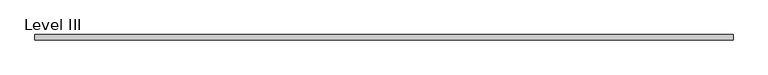
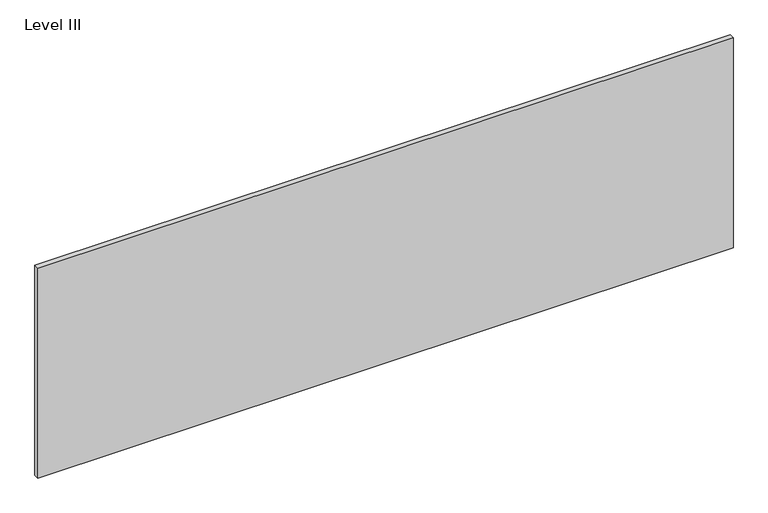
"""IFC4 building model written with IfcOpenShell, lengths in millimetres: proxy geometry, Level III."""

import ifcopenshell
import ifcopenshell.guid

model = None  # the IFC model being written
_history = None  # IfcOwnerHistory: only IFC2X3 demands one
_inside = {}  # id of a spatial element -> (the spatial element, [elements in it])
_under = {}  # id of a project, library or spatial element -> (it, [spatial elements below it])
_declared = {}  # id of a project -> (the project, [libraries it declares])
_typed = {}  # id of a type object -> (the type object, [elements of that type])
_made_of = {}  # id of a material, layer set ... -> (it, [elements and type objects made of it])


def new_model(schema):
    """Start an empty IFC model of exactly this schema.

    Asked for "IFC4X3", IfcOpenShell would pick the latest addendum, in which some entities
    have other attributes; the version numbers below select the first issue.
    IFC2X3 requires an IfcOwnerHistory on every rooted entity: one is made here for all.
    """
    global model, _history
    if schema == "IFC4X3":
        model = ifcopenshell.file(schema_version=(4, 3, 0, 0))
    else:
        model = ifcopenshell.file(schema=schema)
    _inside.clear()
    _under.clear()
    _declared.clear()
    _typed.clear()
    _made_of.clear()
    _history = None
    if model.schema == "IFC2X3":
        org = make("IfcOrganization", Name="unknown")
        user = make(
            "IfcPersonAndOrganization",
            ThePerson=make("IfcPerson", FamilyName="unknown"),
            TheOrganization=org,
        )
        app = make(
            "IfcApplication",
            ApplicationDeveloper=org,
            Version="unknown",
            ApplicationFullName="unknown",
            ApplicationIdentifier="unknown",
        )
        _history = make(
            "IfcOwnerHistory",
            OwningUser=user,
            OwningApplication=app,
            ChangeAction="ADDED",
            CreationDate=0,
        )
    return model


def make(cls, **values):
    """One entity of the class cls with the attributes given. An attribute that is None is left unset."""
    return model.create_entity(
        cls, **{name: value for name, value in values.items() if value is not None}
    )


def rooted(cls, **values):
    """An entity with a GlobalId (a new one), such as an element, a storey or a relation."""
    return make(cls, GlobalId=ifcopenshell.guid.new(), OwnerHistory=_history, **values)


def si_unit(unit_type, name, prefix=None):
    """IfcSIUnit, for example si_unit("LENGTHUNIT", "METRE", prefix="MILLI")."""
    return make("IfcSIUnit", UnitType=unit_type, Prefix=prefix, Name=name)


def assignment(units):
    """IfcUnitAssignment: the units of a project."""
    return None if units is None else make("IfcUnitAssignment", Units=units)


def point(xyz):
    """IfcCartesianPoint."""
    return None if xyz is None else make("IfcCartesianPoint", Coordinates=xyz)


def direction(xyz):
    """IfcDirection."""
    return None if xyz is None else make("IfcDirection", DirectionRatios=xyz)


def frame(location, z_axis=None, x_axis=None):
    """IfcAxis2Placement3D, a coordinate frame: its origin and axes. An axis left out is left unset."""
    return make(
        "IfcAxis2Placement3D",
        Location=point(location),
        Axis=direction(z_axis),
        RefDirection=direction(x_axis),
    )


def origin():
    """The frame at (0, 0, 0) with its axes left unset."""
    return frame((0.0, 0.0, 0.0))


def place(relative_to, where):
    """IfcLocalPlacement: puts the frame where relative to a parent placement (None: the world)."""
    return make(
        "IfcLocalPlacement", PlacementRelTo=relative_to, RelativePlacement=where
    )


def context(
    kind, dimensions, precision=None, world=None, true_north=None, identifier=None
):
    """IfcGeometricRepresentationContext, for example the 3D "Model" context."""
    return make(
        "IfcGeometricRepresentationContext",
        ContextIdentifier=identifier,
        ContextType=kind,
        CoordinateSpaceDimension=dimensions,
        Precision=precision,
        WorldCoordinateSystem=world,
        TrueNorth=true_north,
    )


def project(units=None, contexts=None):
    """IfcProject with its units and contexts."""
    return rooted(
        "IfcProject",
        Name="project",
        RepresentationContexts=contexts,
        UnitsInContext=assignment(units),
    )


def spatial(cls, under=None, at=None, **own):
    """A site, building, storey or space (cls), placed at a placement, below another one or the project."""
    s = rooted(cls, ObjectPlacement=at, **own)
    if under is not None:
        _under.setdefault(under.id(), (under, []))[1].append(s)
    return s


def polyline(points):
    """IfcPolyline through the points."""
    return make("IfcPolyline", Points=[point(p) for p in points])


def outline(outer, holes=None, kind="AREA"):
    """IfcArbitraryClosedProfileDef: a profile drawn as a closed curve; with holes, ...WithVoids."""
    if holes is None:
        return make("IfcArbitraryClosedProfileDef", ProfileType=kind, OuterCurve=outer)
    return make(
        "IfcArbitraryProfileDefWithVoids",
        ProfileType=kind,
        OuterCurve=outer,
        InnerCurves=holes,
    )


def extrude(swept, where, along, depth):
    """IfcExtrudedAreaSolid: the profile swept, set in the frame where, extruded along a direction by depth."""
    return make(
        "IfcExtrudedAreaSolid",
        SweptArea=swept,
        Position=where,
        ExtrudedDirection=direction(along),
        Depth=depth,
    )


def shape(context_of_items, identifier, shape_type, items):
    """IfcShapeRepresentation: the items that make up one representation, for example the "Body"."""
    return make(
        "IfcShapeRepresentation",
        ContextOfItems=context_of_items,
        RepresentationIdentifier=identifier,
        RepresentationType=shape_type,
        Items=items,
    )


def source(mapping_origin, context_of_items, identifier, shape_type, items):
    """IfcRepresentationMap: a shape defined once, which mapped items show again and again."""
    return make(
        "IfcRepresentationMap",
        MappingOrigin=mapping_origin,
        MappedRepresentation=shape(context_of_items, identifier, shape_type, items),
    )


def transform(
    local_origin,
    x_axis=None,
    y_axis=None,
    z_axis=None,
    scale=None,
    scale2=None,
    scale3=None,
    uniform=True,
):
    """IfcCartesianTransformationOperator3D, or its non-uniform kind. x_axis, y_axis, z_axis: its Axis1, 2, 3."""
    if uniform:
        return make(
            "IfcCartesianTransformationOperator3D",
            Axis1=direction(x_axis),
            Axis2=direction(y_axis),
            LocalOrigin=point(local_origin),
            Scale=scale,
            Axis3=direction(z_axis),
        )
    return make(
        "IfcCartesianTransformationOperator3DnonUniform",
        Axis1=direction(x_axis),
        Axis2=direction(y_axis),
        LocalOrigin=point(local_origin),
        Scale=scale,
        Axis3=direction(z_axis),
        Scale2=scale2,
        Scale3=scale3,
    )


def mapped(mapping_source, mapping_target):
    """IfcMappedItem: shows the shape of a source again, moved by a transform."""
    return make(
        "IfcMappedItem", MappingSource=mapping_source, MappingTarget=mapping_target
    )


def made_of(thing, what):
    """Note that an element or type object is made of a material, layer set ...; save() writes the relation."""
    if what is not None:
        _made_of.setdefault(what.id(), (what, []))[1].append(thing)
    return thing


def element(
    cls,
    number,
    at=None,
    inside=None,
    cuts=None,
    type_object=None,
    material=None,
    context=None,
    identifier="Body",
    shape_type=None,
    held_by="IfcProductDefinitionShape",
    body=None,
    shapes=None,
    **own,
):
    """One element of the class cls, such as IfcWall. Its Tag is "e" and its number.

    at: its placement. inside: the storey or other place that contains it. cuts: it is an
    opening in that element (IfcRelVoidsElement). A single representation is given by context,
    identifier, shape_type and body (its items); several are given by shapes. held_by: the class
    of the entity that holds the representations. save() writes the other relations.
    """
    e = rooted(cls, Tag="e%d" % number, ObjectPlacement=at, **own)
    if body is not None:
        shapes = [shape(context, identifier, shape_type, body)]
    if shapes is not None:
        e.Representation = make(held_by, Representations=shapes)
    if inside is not None:
        _inside.setdefault(inside.id(), (inside, []))[1].append(e)
    if cuts is not None:
        rooted(
            "IfcRelVoidsElement", RelatingBuildingElement=cuts, RelatedOpeningElement=e
        )
    if type_object is not None:
        _typed.setdefault(type_object.id(), (type_object, []))[1].append(e)
    return made_of(e, material)


def aggregate(whole, parts):
    """IfcRelAggregates: a whole, such as a stair, and the parts it consists of."""
    return rooted("IfcRelAggregates", RelatingObject=whole, RelatedObjects=parts)


def save(model, path):
    """Write the relations noted so far, then the file.

    IfcRelAggregates (storeys below a building ...), IfcRelContainedInSpatialStructure (elements
    in a storey), IfcRelDefinesByType, IfcRelAssociatesMaterial and IfcRelDeclares: one each for
    every whole, place, type object, material and project.
    """
    for whole, parts in _under.values():
        aggregate(whole, parts)
    for where, things in _inside.values():
        rooted(
            "IfcRelContainedInSpatialStructure",
            RelatedElements=things,
            RelatingStructure=where,
        )
    for kind, things in _typed.values():
        rooted("IfcRelDefinesByType", RelatedObjects=things, RelatingType=kind)
    for what, things in _made_of.values():
        rooted("IfcRelAssociatesMaterial", RelatedObjects=things, RelatingMaterial=what)
    for by, libraries in _declared.values():
        rooted("IfcRelDeclares", RelatingContext=by, RelatedDefinitions=libraries)
    model.write(path)


def level_iii_4f8121dc(model_context):
    return source(origin(), model_context, "Body", "SweptSolid", [
        extrude(outline(polyline([(1259.8356344, -9.525), (-1259.8356344, -9.525), (-1259.8356344, 9.525), (1259.8356344, 9.525), (1259.8356344, -9.525)])), frame((0.0, 0.0, 3.175), z_axis=(0.0, 0.0, 1.0), x_axis=(1.0, 0.0, 0.0)), (0.0, 0.0, 1.0), 804.418),
    ])


if __name__ == "__main__":
    model = new_model("IFC4")
    model_context = context("Model", 3, world=origin())
    ifc_project = project(units=[si_unit("LENGTHUNIT", "METRE", prefix="MILLI")], contexts=[model_context])
    site = spatial("IfcSite", under=ifc_project)
    building = spatial("IfcBuilding", under=site)
    placement = place(None, origin())
    level_iii_shape = level_iii_4f8121dc(model_context)
    element("IfcBuildingElementProxy", 1, Name="Level III", ObjectType="Level III", at=placement, inside=building, context=model_context, shape_type="MappedRepresentation", body=[
        mapped(level_iii_shape, transform((0.0, 0.0, 0.0), x_axis=(1.0, 0.0, 0.0), y_axis=(0.0, 1.0, 0.0), z_axis=(0.0, 0.0, 1.0))),
    ])
    save(model, "model.ifc")
